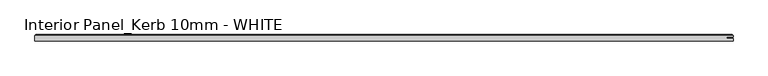
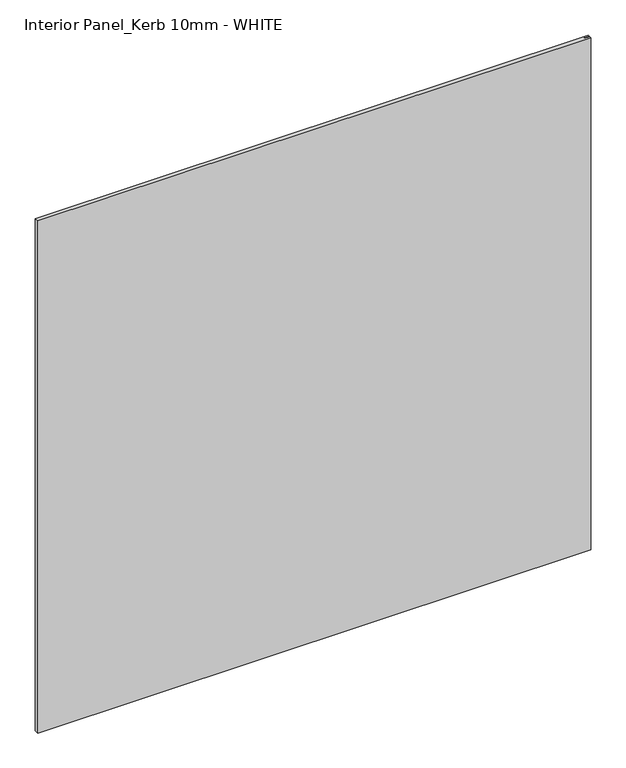
"""IFC4 building model written with IfcOpenShell, lengths in millimetres: proxy geometry, Interior Panel_Kerb 10mm - WHITE."""

from ifc_helpers import new_model, si_unit, origin, place, context, project, spatial, faceted_brep, source, transform, mapped, element, save


def interior_panel_kerb_10mm_white_b2374739(model_context):
    return source(origin(), model_context, "Body", "Brep", [
        faceted_brep([(990.6, -3.175, 1041.4), (990.6, 0.5207, 1041.4), (980.7773437, 0.5207, 1041.4), (980.7773437, 2.6543, 1041.4), (990.6, 2.6543, 1041.4), (990.6, 4.7625, 1041.4), (-73.025, 4.7625, 1041.4), (-73.025, -3.175, 1041.4), (990.6, -3.175, 0.0), (-73.025, -3.175, 0.0), (-73.025, 4.7625, 0.0), (990.6, 4.7625, 0.0), (990.6, 2.6543, 0.0), (980.7773437, 2.6543, 0.0), (980.7773437, 0.5207, 0.0), (990.6, 0.5207, 0.0), (-71.4375, 6.35, 1039.8125), (989.0125, 6.35, 1039.8125), (989.0125, 6.35, 1.5875), (-71.4375, 6.35, 1.5875)], [[[0, 1, 2, 3, 4, 5, 6, 7]], [[8, 9, 10, 11, 12, 13, 14, 15]], [[7, 9, 8, 0]], [[6, 10, 9, 7]], [[16, 17, 18, 19]], [[4, 12, 11, 5]], [[6, 16, 19, 10]], [[11, 18, 17, 5]], [[5, 17, 16, 6]], [[10, 19, 18, 11]], [[3, 13, 12, 4]], [[2, 14, 13, 3]], [[1, 15, 14, 2]], [[0, 8, 15, 1]]]),
    ])


if __name__ == "__main__":
    model = new_model("IFC4")
    model_context = context("Model", 3, world=origin())
    ifc_project = project(units=[si_unit("LENGTHUNIT", "METRE", prefix="MILLI")], contexts=[model_context])
    site = spatial("IfcSite", under=ifc_project)
    building = spatial("IfcBuilding", under=site)
    placement = place(None, origin())
    interior_panel_kerb_10mm_white_shape = interior_panel_kerb_10mm_white_b2374739(model_context)
    element("IfcBuildingElementProxy", 1, Name="Interior Panel_Kerb 10mm - WHITE", ObjectType="Interior Panel_Kerb 10mm - WHITE", at=placement, inside=building, context=model_context, shape_type="MappedRepresentation", body=[
        mapped(interior_panel_kerb_10mm_white_shape, transform((0.0, 0.0, 0.0), x_axis=(1.0, 0.0, 0.0), y_axis=(0.0, 1.0, 0.0), z_axis=(0.0, 0.0, 1.0))),
    ])
    save(model, "model.ifc")
